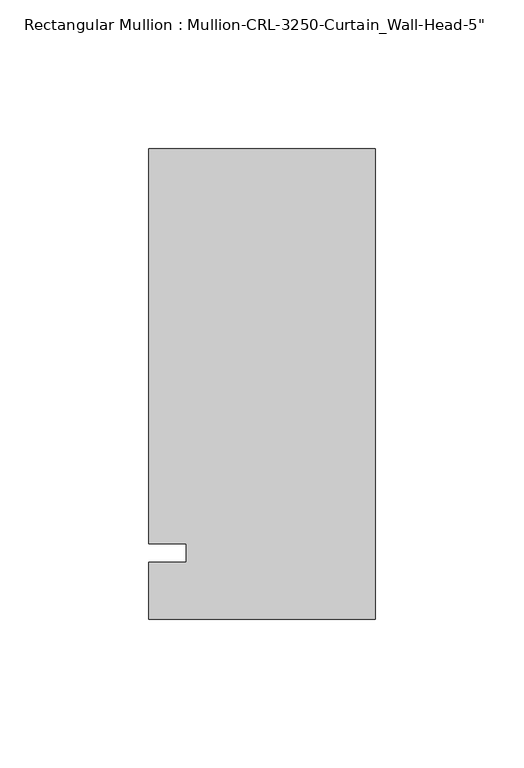
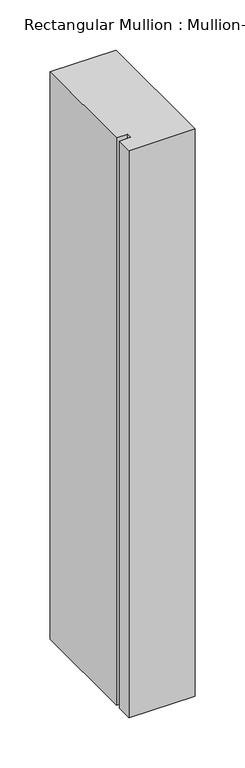
"""IFC4 building model written with IfcOpenShell, lengths in millimetres: member geometry."""

import ifcopenshell
import ifcopenshell.guid

model = None  # the IFC model being written
_history = None  # IfcOwnerHistory: only IFC2X3 demands one
_inside = {}  # id of a spatial element -> (the spatial element, [elements in it])
_under = {}  # id of a project, library or spatial element -> (it, [spatial elements below it])
_declared = {}  # id of a project -> (the project, [libraries it declares])
_typed = {}  # id of a type object -> (the type object, [elements of that type])
_made_of = {}  # id of a material, layer set ... -> (it, [elements and type objects made of it])


def new_model(schema):
    """Start an empty IFC model of exactly this schema.

    Asked for "IFC4X3", IfcOpenShell would pick the latest addendum, in which some entities
    have other attributes; the version numbers below select the first issue.
    IFC2X3 requires an IfcOwnerHistory on every rooted entity: one is made here for all.
    """
    global model, _history
    if schema == "IFC4X3":
        model = ifcopenshell.file(schema_version=(4, 3, 0, 0))
    else:
        model = ifcopenshell.file(schema=schema)
    _inside.clear()
    _under.clear()
    _declared.clear()
    _typed.clear()
    _made_of.clear()
    _history = None
    if model.schema == "IFC2X3":
        org = make("IfcOrganization", Name="unknown")
        user = make(
            "IfcPersonAndOrganization",
            ThePerson=make("IfcPerson", FamilyName="unknown"),
            TheOrganization=org,
        )
        app = make(
            "IfcApplication",
            ApplicationDeveloper=org,
            Version="unknown",
            ApplicationFullName="unknown",
            ApplicationIdentifier="unknown",
        )
        _history = make(
            "IfcOwnerHistory",
            OwningUser=user,
            OwningApplication=app,
            ChangeAction="ADDED",
            CreationDate=0,
        )
    return model


def make(cls, **values):
    """One entity of the class cls with the attributes given. An attribute that is None is left unset."""
    return model.create_entity(
        cls, **{name: value for name, value in values.items() if value is not None}
    )


def rooted(cls, **values):
    """An entity with a GlobalId (a new one), such as an element, a storey or a relation."""
    return make(cls, GlobalId=ifcopenshell.guid.new(), OwnerHistory=_history, **values)


def si_unit(unit_type, name, prefix=None):
    """IfcSIUnit, for example si_unit("LENGTHUNIT", "METRE", prefix="MILLI")."""
    return make("IfcSIUnit", UnitType=unit_type, Prefix=prefix, Name=name)


def assignment(units):
    """IfcUnitAssignment: the units of a project."""
    return None if units is None else make("IfcUnitAssignment", Units=units)


def point(xyz):
    """IfcCartesianPoint."""
    return None if xyz is None else make("IfcCartesianPoint", Coordinates=xyz)


def direction(xyz):
    """IfcDirection."""
    return None if xyz is None else make("IfcDirection", DirectionRatios=xyz)


def frame(location, z_axis=None, x_axis=None):
    """IfcAxis2Placement3D, a coordinate frame: its origin and axes. An axis left out is left unset."""
    return make(
        "IfcAxis2Placement3D",
        Location=point(location),
        Axis=direction(z_axis),
        RefDirection=direction(x_axis),
    )


def origin():
    """The frame at (0, 0, 0) with its axes left unset."""
    return frame((0.0, 0.0, 0.0))


def place(relative_to, where):
    """IfcLocalPlacement: puts the frame where relative to a parent placement (None: the world)."""
    return make(
        "IfcLocalPlacement", PlacementRelTo=relative_to, RelativePlacement=where
    )


def context(
    kind, dimensions, precision=None, world=None, true_north=None, identifier=None
):
    """IfcGeometricRepresentationContext, for example the 3D "Model" context."""
    return make(
        "IfcGeometricRepresentationContext",
        ContextIdentifier=identifier,
        ContextType=kind,
        CoordinateSpaceDimension=dimensions,
        Precision=precision,
        WorldCoordinateSystem=world,
        TrueNorth=true_north,
    )


def project(units=None, contexts=None):
    """IfcProject with its units and contexts."""
    return rooted(
        "IfcProject",
        Name="project",
        RepresentationContexts=contexts,
        UnitsInContext=assignment(units),
    )


def spatial(cls, under=None, at=None, **own):
    """A site, building, storey or space (cls), placed at a placement, below another one or the project."""
    s = rooted(cls, ObjectPlacement=at, **own)
    if under is not None:
        _under.setdefault(under.id(), (under, []))[1].append(s)
    return s


def polyline(points):
    """IfcPolyline through the points."""
    return make("IfcPolyline", Points=[point(p) for p in points])


def outline(outer, holes=None, kind="AREA"):
    """IfcArbitraryClosedProfileDef: a profile drawn as a closed curve; with holes, ...WithVoids."""
    if holes is None:
        return make("IfcArbitraryClosedProfileDef", ProfileType=kind, OuterCurve=outer)
    return make(
        "IfcArbitraryProfileDefWithVoids",
        ProfileType=kind,
        OuterCurve=outer,
        InnerCurves=holes,
    )


def extrude(swept, where, along, depth):
    """IfcExtrudedAreaSolid: the profile swept, set in the frame where, extruded along a direction by depth."""
    return make(
        "IfcExtrudedAreaSolid",
        SweptArea=swept,
        Position=where,
        ExtrudedDirection=direction(along),
        Depth=depth,
    )


def shape(context_of_items, identifier, shape_type, items):
    """IfcShapeRepresentation: the items that make up one representation, for example the "Body"."""
    return make(
        "IfcShapeRepresentation",
        ContextOfItems=context_of_items,
        RepresentationIdentifier=identifier,
        RepresentationType=shape_type,
        Items=items,
    )


def source(mapping_origin, context_of_items, identifier, shape_type, items):
    """IfcRepresentationMap: a shape defined once, which mapped items show again and again."""
    return make(
        "IfcRepresentationMap",
        MappingOrigin=mapping_origin,
        MappedRepresentation=shape(context_of_items, identifier, shape_type, items),
    )


def transform(
    local_origin,
    x_axis=None,
    y_axis=None,
    z_axis=None,
    scale=None,
    scale2=None,
    scale3=None,
    uniform=True,
):
    """IfcCartesianTransformationOperator3D, or its non-uniform kind. x_axis, y_axis, z_axis: its Axis1, 2, 3."""
    if uniform:
        return make(
            "IfcCartesianTransformationOperator3D",
            Axis1=direction(x_axis),
            Axis2=direction(y_axis),
            LocalOrigin=point(local_origin),
            Scale=scale,
            Axis3=direction(z_axis),
        )
    return make(
        "IfcCartesianTransformationOperator3DnonUniform",
        Axis1=direction(x_axis),
        Axis2=direction(y_axis),
        LocalOrigin=point(local_origin),
        Scale=scale,
        Axis3=direction(z_axis),
        Scale2=scale2,
        Scale3=scale3,
    )


def mapped(mapping_source, mapping_target):
    """IfcMappedItem: shows the shape of a source again, moved by a transform."""
    return make(
        "IfcMappedItem", MappingSource=mapping_source, MappingTarget=mapping_target
    )


def made_of(thing, what):
    """Note that an element or type object is made of a material, layer set ...; save() writes the relation."""
    if what is not None:
        _made_of.setdefault(what.id(), (what, []))[1].append(thing)
    return thing


def element(
    cls,
    number,
    at=None,
    inside=None,
    cuts=None,
    type_object=None,
    material=None,
    context=None,
    identifier="Body",
    shape_type=None,
    held_by="IfcProductDefinitionShape",
    body=None,
    shapes=None,
    **own,
):
    """One element of the class cls, such as IfcWall. Its Tag is "e" and its number.

    at: its placement. inside: the storey or other place that contains it. cuts: it is an
    opening in that element (IfcRelVoidsElement). A single representation is given by context,
    identifier, shape_type and body (its items); several are given by shapes. held_by: the class
    of the entity that holds the representations. save() writes the other relations.
    """
    e = rooted(cls, Tag="e%d" % number, ObjectPlacement=at, **own)
    if body is not None:
        shapes = [shape(context, identifier, shape_type, body)]
    if shapes is not None:
        e.Representation = make(held_by, Representations=shapes)
    if inside is not None:
        _inside.setdefault(inside.id(), (inside, []))[1].append(e)
    if cuts is not None:
        rooted(
            "IfcRelVoidsElement", RelatingBuildingElement=cuts, RelatedOpeningElement=e
        )
    if type_object is not None:
        _typed.setdefault(type_object.id(), (type_object, []))[1].append(e)
    return made_of(e, material)


def aggregate(whole, parts):
    """IfcRelAggregates: a whole, such as a stair, and the parts it consists of."""
    return rooted("IfcRelAggregates", RelatingObject=whole, RelatedObjects=parts)


def save(model, path):
    """Write the relations noted so far, then the file.

    IfcRelAggregates (storeys below a building ...), IfcRelContainedInSpatialStructure (elements
    in a storey), IfcRelDefinesByType, IfcRelAssociatesMaterial and IfcRelDeclares: one each for
    every whole, place, type object, material and project.
    """
    for whole, parts in _under.values():
        aggregate(whole, parts)
    for where, things in _inside.values():
        rooted(
            "IfcRelContainedInSpatialStructure",
            RelatedElements=things,
            RelatingStructure=where,
        )
    for kind, things in _typed.values():
        rooted("IfcRelDefinesByType", RelatedObjects=things, RelatingType=kind)
    for what, things in _made_of.values():
        rooted("IfcRelAssociatesMaterial", RelatedObjects=things, RelatingMaterial=what)
    for by, libraries in _declared.values():
        rooted("IfcRelDeclares", RelatingContext=by, RelatedDefinitions=libraries)
    model.write(path)


def member_84d6afd7(model_context):
    return source(origin(), model_context, "Body", "SweptSolid", [
        extrude(outline(polyline([(0.0, -22.2254168), (-76.199997, -22.2254168), (-76.199997, -3.175), (-63.499997, -3.175), (-63.499997, 3.175), (-76.199997, 3.175), (-76.199997, 136.0164463), (0.0, 136.0164463), (0.0, -22.2254168)])), frame((0.0, 0.0, -692.1419934), z_axis=(0.0, 0.0, 1.0), x_axis=(1.0, 0.0, 0.0)), (0.0, 0.0, 1.0), 692.1419934),
    ])


if __name__ == "__main__":
    model = new_model("IFC4")
    model_context = context("Model", 3, world=origin())
    ifc_project = project(units=[si_unit("LENGTHUNIT", "METRE", prefix="MILLI")], contexts=[model_context])
    site = spatial("IfcSite", under=ifc_project)
    building = spatial("IfcBuilding", under=site)
    placement = place(None, origin())
    member_shape = member_84d6afd7(model_context)
    element("IfcMember", 1, ObjectType="Rectangular Mullion : Mullion-CRL-3250-Curtain_Wall-Head-5\"", at=placement, inside=building, context=model_context, shape_type="MappedRepresentation", body=[
        mapped(member_shape, transform((0.0, 0.0, 0.0), x_axis=(1.0, 0.0, 0.0), y_axis=(0.0, 1.0, 0.0), z_axis=(0.0, 0.0, 1.0))),
    ])
    save(model, "model.ifc")
